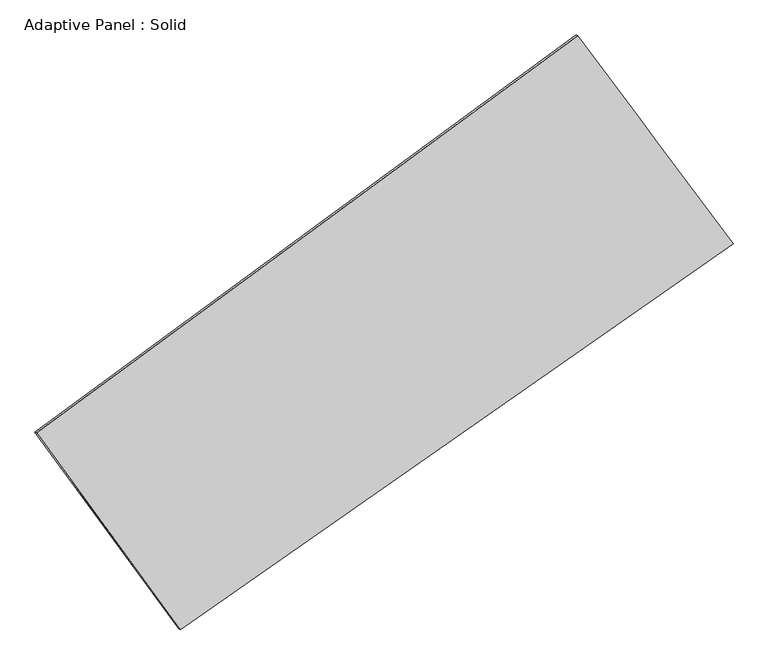
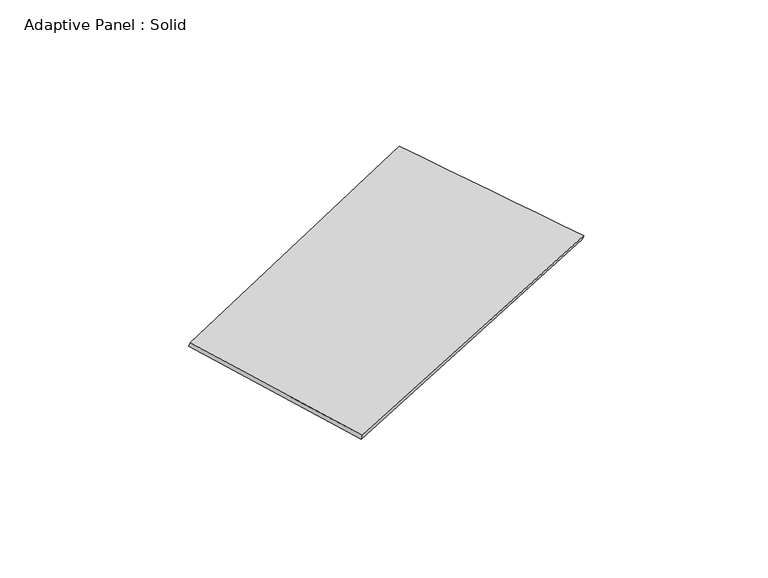
"""IFC4 building model written with IfcOpenShell, lengths in millimetres: plate geometry, Adaptive Panel : Solid."""

from ifc_helpers import new_model, si_unit, frame, origin, place, context, project, spatial, source, transform, mapped, element, save
from ifc_brep_helpers import plane_surface, spline_surface, advanced_brep


def adaptive_panel_solid_bbfb79b1(model_context):
    return source(origin(), model_context, "Body", "AdvancedBrep", [
        advanced_brep(
        [(1043.6522771, 2493.4780597, 668.8196454), (-3638.4467952, -942.8725975, 1711.2667878), (-3623.7804394, -949.2526909, 1758.6396958), (1058.318633, 2487.0979662, 716.1925534), (-2396.0620917, -2645.3274353, 1040.2951998), (-2381.3957358, -2651.7075288, 1087.6681078), (2387.5660316, 694.4734003, 64.7408873), (2402.2323874, 688.0933068, 112.1137953)],
        [
            (0, 1),
            (1, 2),
            (2, 3),
            (3, 0),
            (1, 4),
            (4, 5),
            (5, 2),
            (4, 6),
            (6, 7),
            (7, 5),
            (6, 0),
            (3, 7),
        ],
        [
            plane_surface(frame((-1297.397259, 775.3027311, 1190.0432166), z_axis=(-0.5292508220221809, 0.8036553657600115, 0.2720875235544404), x_axis=(-0.7934934453308271, -0.5823716414740786, 0.17666755056829495))),
            plane_surface(frame((-3017.2544434, -1794.1000164, 1375.7809938), z_axis=(-0.7682099314133162, -0.6213626758691447, 0.1541490392921223), x_axis=(0.5617066144611021, -0.7697133911098782, -0.3033594811717254))),
            plane_surface(frame((-4.24803, -975.4270175, 552.5180435), z_axis=(0.5139271958654745, -0.8146251923122042, -0.2688208202505057), x_axis=(0.8087069713626689, 0.564617513963213, -0.16492452029768193))),
            plane_surface(frame((1715.6091544, 1593.97573, 366.7802663), z_axis=(0.766323031064935, 0.6239169657670253, -0.15322085983155026), x_axis=(-0.5779307753170357, 0.7736360716525106, 0.2597753790864749))),
            spline_surface(1, 1, [[(-3623.7804394, -949.2526909, 1758.6396958), (1058.318633, 2487.0979662, 716.1925534)], [(-2381.3957358, -2651.7075288, 1087.6681078), (2402.2323874, 688.0933068, 112.1137953)]], [2, 2], [2, 2], [0.0, 1.0], [0.0, 1.0]),
            spline_surface(1, 1, [[(2387.5660316, 694.4734003, 64.7408873), (1043.6522771, 2493.4780597, 668.8196454)], [(-2396.0620917, -2645.3274353, 1040.2951998), (-3638.4467952, -942.8725975, 1711.2667878)]], [2, 2], [2, 2], [0.0, 1.0], [0.0, 1.0]),
        ],
        [
            (0, [[1, 2, 3, 4]]),
            (1, [[5, 6, 7, -2]]),
            (2, [[8, 9, 10, -6]]),
            (3, [[11, -4, 12, -9]]),
            (4, [[-3, -7, -10, -12]]),
            (5, [[-11, -8, -5, -1]]),
        ],
    ),
    ])


if __name__ == "__main__":
    model = new_model("IFC4")
    model_context = context("Model", 3, world=origin())
    ifc_project = project(units=[si_unit("LENGTHUNIT", "METRE", prefix="MILLI")], contexts=[model_context])
    site = spatial("IfcSite", under=ifc_project)
    building = spatial("IfcBuilding", under=site)
    placement = place(None, origin())
    adaptive_panel_solid_shape = adaptive_panel_solid_bbfb79b1(model_context)
    element("IfcPlate", 1, ObjectType="Adaptive Panel : Solid", at=placement, inside=building, context=model_context, shape_type="MappedRepresentation", body=[
        mapped(adaptive_panel_solid_shape, transform((0.0, 0.0, 0.0), x_axis=(1.0, 0.0, 0.0), y_axis=(0.0, 1.0, 0.0), z_axis=(0.0, 0.0, 1.0))),
    ])
    save(model, "model.ifc")
